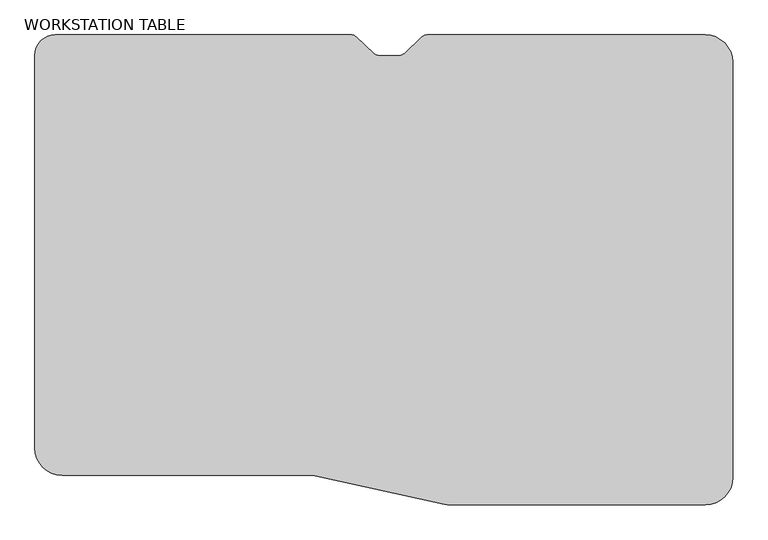
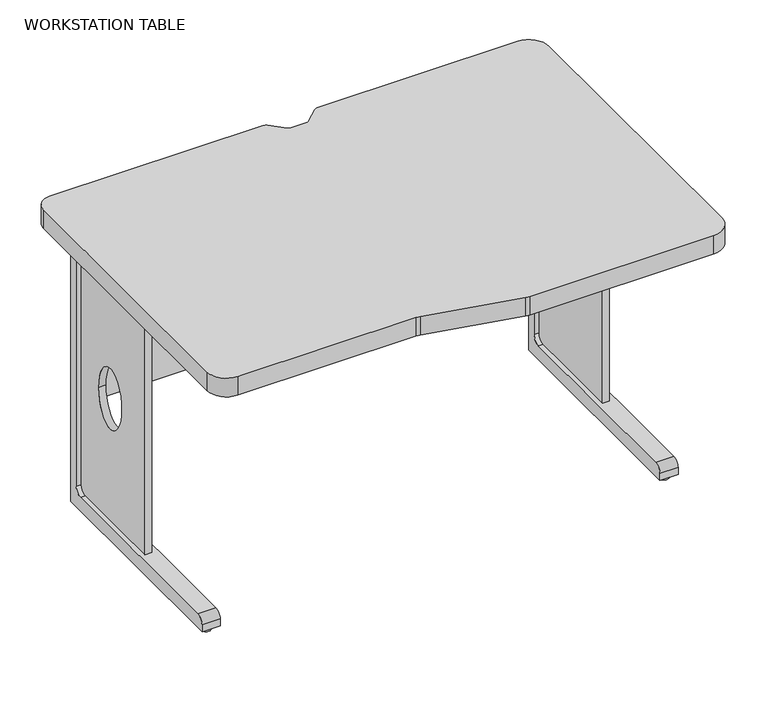
"""IFC4 building model written with IfcOpenShell, lengths in millimetres: proxy geometry, WORKSTATION TABLE."""

from ifc_helpers import new_model, si_unit, point, frame, frame_2d, origin, origin_with_axes, place, context, project, spatial, polyline, circle_curve, ellipse_curve, trimmed, segment, composite_curve, outline, extrude, source, transform, mapped, element, save
from ifc_brep_helpers import plane_surface, cylinder_surface, revolved_surface, extruded_surface, advanced_brep


def workstation_table_481db081(model_context):
    return source(origin(), model_context, "Body", "SolidModel", [
        advanced_brep(
        [(589.2343913, -50.7902273, 800.1), (37.4244557, -50.7902273, 800.1), (-0.7719566, -88.9866395, 800.1), (-0.7719566, -820.9499402, 800.1), (50.0280434, -871.7499402, 800.1), (510.9482048, -871.7499402, 800.1), (521.8593393, -872.9355557, 800.1), (762.761144, -925.9143845, 800.1), (773.6722784, -927.1, 800.1), (1248.9080434, -927.1, 800.1), (1299.7080434, -876.3, 800.1), (1299.7080434, -101.6, 800.1), (1248.9080434, -50.8, 800.1), (730.0216956, -50.7902273, 800.1), (721.1054055, -54.328269, 800.1), (687.6834991, -85.6898757, 800.1), (678.7672091, -89.2181448, 800.1), (640.4888777, -89.2181448, 800.1), (631.5725877, -85.6898757, 800.1), (598.1506813, -54.328269, 800.1), (589.2343913, -50.8, 749.3), (598.1506813, -54.328269, 749.3), (631.5725877, -85.6898757, 749.3), (640.4888777, -89.2181448, 749.3), (678.7672091, -89.2181448, 749.3), (687.6834991, -85.6898757, 749.3), (721.1054055, -54.328269, 749.3), (730.0216956, -50.8, 749.3), (1248.9080434, -50.7902273, 749.3), (1299.7080434, -101.6, 749.3), (1299.7080434, -876.3, 749.3), (1248.9080434, -927.1, 749.3), (773.6722784, -927.1, 749.3), (762.761144, -925.9143845, 749.3), (521.8593393, -872.9355557, 749.3), (510.9482048, -871.7499402, 749.3), (50.0280434, -871.7499402, 749.3), (-0.7719566, -820.9499402, 749.3), (-0.7719566, -88.9866395, 749.3), (37.4244557, -50.7902273, 749.3)],
        [
            (0, 1),
            (1, 2, circle_curve(frame((37.4244557, -88.9866395, 800.1), z_axis=(0.0, 0.0, 1.0), x_axis=(1.0, 0.0, 0.0)), 38.1964123)),
            (2, 3),
            (3, 4, circle_curve(frame((50.0280434, -820.9499402, 800.1), z_axis=(0.0, 0.0, 1.0), x_axis=(-1.0, 0.0, 0.0)), 50.8)),
            (4, 5),
            (5, 6, circle_curve(frame((510.9482048, -922.5499402, 800.1), z_axis=(0.0, 0.0, -1.0), x_axis=(0.0, 1.0, 0.0)), 50.8)),
            (6, 7),
            (7, 8, circle_curve(frame((773.6722784, -876.3, 800.1), z_axis=(0.0, 0.0, 1.0), x_axis=(-0.21478611097904476, -0.9766611114048196, 0.0)), 50.8)),
            (8, 9),
            (9, 10, circle_curve(frame((1248.9080434, -876.3, 800.1), z_axis=(0.0, 0.0, 1.0), x_axis=(0.0, -1.0, 0.0)), 50.8)),
            (10, 11),
            (11, 12, circle_curve(frame((1248.9080434, -101.6, 800.1), z_axis=(0.0, 0.0, 1.0), x_axis=(1.0, 0.0, 0.0)), 50.8)),
            (12, 13),
            (13, 14, circle_curve(frame((730.0216956, -63.8303145, 800.1), z_axis=(0.0, 0.0, 1.0), x_axis=(0.0, 1.0, 0.0)), 13.0303145)),
            (14, 15),
            (15, 16, circle_curve(frame((678.7672091, -76.1878303, 800.1), z_axis=(0.0, 0.0, -1.0), x_axis=(0.6842728208301183, -0.7292261012012619, 0.0)), 13.0303145)),
            (16, 17),
            (17, 18, circle_curve(frame((640.4888777, -76.1878303, 800.1), z_axis=(0.0, 0.0, -1.0), x_axis=(0.0, -1.0, 0.0)), 13.0303145)),
            (18, 19),
            (19, 0, circle_curve(frame((589.2343913, -63.8303145, 800.1), z_axis=(0.0, 0.0, 1.0), x_axis=(0.6842728208303243, 0.7292261012010685, 0.0)), 13.0303145)),
            (20, 21, circle_curve(frame((589.2343913, -63.8303145, 749.3), z_axis=(0.0, 0.0, -1.0), x_axis=(0.6842728208303243, 0.7292261012010685, 0.0)), 13.0303145)),
            (21, 22),
            (22, 23, circle_curve(frame((640.4888777, -76.1878303, 749.3), z_axis=(0.0, 0.0, 1.0), x_axis=(0.0, -1.0, 0.0)), 13.0303145)),
            (23, 24),
            (24, 25, circle_curve(frame((678.7672091, -76.1878303, 749.3), z_axis=(0.0, 0.0, 1.0), x_axis=(0.6842728208301183, -0.7292261012012619, 0.0)), 13.0303145)),
            (25, 26),
            (26, 27, circle_curve(frame((730.0216956, -63.8303145, 749.3), z_axis=(0.0, 0.0, -1.0), x_axis=(0.0, 1.0, 0.0)), 13.0303145)),
            (27, 28),
            (28, 29, circle_curve(frame((1248.9080434, -101.6, 749.3), z_axis=(0.0, 0.0, -1.0), x_axis=(1.0, 0.0, 0.0)), 50.8)),
            (29, 30),
            (30, 31, circle_curve(frame((1248.9080434, -876.3, 749.3), z_axis=(0.0, 0.0, -1.0), x_axis=(0.0, -1.0, 0.0)), 50.8)),
            (31, 32),
            (32, 33, circle_curve(frame((773.6722784, -876.3, 749.3), z_axis=(0.0, 0.0, -1.0), x_axis=(-0.21478611097904476, -0.9766611114048196, 0.0)), 50.8)),
            (33, 34),
            (34, 35, circle_curve(frame((510.9482048, -922.5499402, 749.3), z_axis=(0.0, 0.0, 1.0), x_axis=(0.0, 1.0, 0.0)), 50.8)),
            (35, 36),
            (36, 37, circle_curve(frame((50.0280434, -820.9499402, 749.3), z_axis=(0.0, 0.0, -1.0), x_axis=(-1.0, 0.0, 0.0)), 50.8)),
            (37, 38),
            (38, 39, circle_curve(frame((37.4244557, -88.9866395, 749.3), z_axis=(0.0, 0.0, -1.0), x_axis=(1.0, 0.0, 0.0)), 38.1964123)),
            (39, 20),
            (0, 20),
            (39, 1),
            (38, 2),
            (37, 3),
            (36, 4),
            (35, 5),
            (34, 6),
            (33, 7),
            (32, 8),
            (31, 9),
            (30, 10),
            (29, 11),
            (28, 12),
            (27, 13),
            (26, 14),
            (25, 15),
            (24, 16),
            (23, 17),
            (22, 18),
            (21, 19),
        ],
        [
            plane_surface(frame((45.9053442, -50.7902273, 800.1), z_axis=(0.0, 0.0, 1.0), x_axis=(-1.0, 0.0, 0.0))),
            plane_surface(frame((45.9053442, -50.7902273, 749.3), z_axis=(0.0, 0.0, -1.0), x_axis=(1.0, 0.0, 0.0))),
            plane_surface(frame((589.2343913, -50.7902273, 800.1), z_axis=(0.0, 1.0, 0.0), x_axis=(0.0, 0.0, -1.0))),
            cylinder_surface(frame((37.4244557, -88.9866395, 749.3), z_axis=(0.0, 0.0, 1.0), x_axis=(1.0, 0.0, 0.0)), 38.1964123),
            plane_surface(frame((-0.7719566, -88.9866395, 800.1), z_axis=(-1.0, 0.0, 0.0), x_axis=(0.0, 0.0, -1.0))),
            cylinder_surface(frame((50.0280434, -820.9499402, 749.3), z_axis=(0.0, 0.0, 1.0), x_axis=(-1.0, 0.0, 0.0)), 50.8),
            plane_surface(frame((50.0280434, -871.7499402, 800.1), z_axis=(0.0, -1.0, 0.0), x_axis=(0.0, 0.0, -1.0))),
            revolved_surface(polyline([(510.9482048, -871.7499402000001, 749.3), (510.9482048, -871.7499402000001, 800.1)]), (510.9482048, -922.5499402, 749.3), (0.0, 0.0, -1.0)),
            plane_surface(frame((521.8593393, -872.9355557, 800.1), z_axis=(-0.2147861109790387, -0.976661111404821, 0.0), x_axis=(0.0, 0.0, -1.0))),
            cylinder_surface(frame((773.6722784, -876.3, 749.3), z_axis=(0.0, 0.0, 1.0), x_axis=(-0.21478611097904476, -0.9766611114048196, 0.0)), 50.8),
            plane_surface(frame((773.6722784, -927.1, 800.1), z_axis=(0.0, -1.0, 0.0), x_axis=(0.0, 0.0, -1.0))),
            cylinder_surface(frame((1248.9080434, -876.3, 749.3), z_axis=(0.0, 0.0, 1.0), x_axis=(0.0, -1.0, 0.0)), 50.8),
            plane_surface(frame((1299.7080434, -876.3, 800.1), z_axis=(1.0, 0.0, 0.0), x_axis=(0.0, 0.0, -1.0))),
            cylinder_surface(frame((1248.9080434, -101.6, 749.3), z_axis=(0.0, 0.0, 1.0), x_axis=(1.0, 0.0, 0.0)), 50.8),
            plane_surface(frame((1248.9080434, -50.7902273, 800.1), z_axis=(0.0, 1.0, 0.0), x_axis=(0.0, 0.0, -1.0))),
            cylinder_surface(frame((730.0216956, -63.8303145, 749.3), z_axis=(0.0, 0.0, 1.0), x_axis=(0.0, 1.0, 0.0)), 13.0303145),
            plane_surface(frame((721.1054055, -54.328269, 800.1), z_axis=(-0.684272820830323, 0.7292261012010697, 0.0), x_axis=(0.0, 0.0, -1.0))),
            revolved_surface(polyline([(687.6834991592185, -85.68987574026127, 749.3), (687.6834991592185, -85.68987574026127, 800.1)]), (678.7672091, -76.1878303, 749.3), (0.0, 0.0, -1.0000000000000002)),
            plane_surface(frame((678.7672091, -89.2181448, 800.1), z_axis=(0.0, 1.0, 0.0), x_axis=(0.0, 0.0, -1.0))),
            revolved_surface(polyline([(640.4888777, -89.2181448, 749.3), (640.4888777, -89.2181448, 800.1)]), (640.4888777, -76.1878303, 749.3), (0.0, 0.0, -1.0)),
            plane_surface(frame((631.5725877, -85.6898757, 800.1), z_axis=(0.6842728208302895, 0.7292261012011012, 0.0), x_axis=(0.0, 0.0, -1.0))),
            cylinder_surface(frame((589.2343913, -63.8303145, 749.3), z_axis=(0.0, 0.0, 1.0), x_axis=(0.6842728208303243, 0.7292261012010685, 0.0)), 13.0303145),
        ],
        [
            (0, [[1, 2, 3, 4, 5, 6, 7, 8, 9, 10, 11, 12, 13, 14, 15, 16, 17, 18, 19, 20]]),
            (1, [[21, 22, 23, 24, 25, 26, 27, 28, 29, 30, 31, 32, 33, 34, 35, 36, 37, 38, 39, 40]]),
            (2, [[-1, 41, -40, 42]]),
            (3, [[-2, -42, -39, 43]]),
            (4, [[-3, -43, -38, 44]]),
            (5, [[-4, -44, -37, 45]]),
            (6, [[-5, -45, -36, 46]]),
            (7, [[-6, -46, -35, 47]]),
            (8, [[-7, -47, -34, 48]]),
            (9, [[-8, -48, -33, 49]]),
            (10, [[-9, -49, -32, 50]]),
            (11, [[-10, -50, -31, 51]]),
            (12, [[-11, -51, -30, 52]]),
            (13, [[-12, -52, -29, 53]]),
            (14, [[-13, -53, -28, 54]]),
            (15, [[-14, -54, -27, 55]]),
            (16, [[-15, -55, -26, 56]]),
            (17, [[-16, -56, -25, 57]]),
            (18, [[-17, -57, -24, 58]]),
            (19, [[-18, -58, -23, 59]]),
            (20, [[-19, -59, -22, 60]]),
            (21, [[-20, -60, -21, -41]]),
        ],
    ),
        extrude(outline(composite_curve([segment(polyline([(-722.4005617, 736.6), (-722.4005617, 749.3), (-133.5794383, 749.3), (-133.5794383, 12.7), (-722.4005617, 12.7), (-722.4005617, 31.75)]), True, "CONTINUOUS"), segment(trimmed(circle_curve(frame_2d((-703.3505617, 31.75)), 19.05), [point((-722.4005617, 31.75))], [point((-703.3505617, 50.8))], False, "CARTESIAN"), True, "CONTINUOUS"), segment(polyline([(-703.3505617, 50.8), (-178.0294383, 50.8)]), True, "CONTINUOUS"), segment(trimmed(circle_curve(frame_2d((-178.0294383, 69.85)), 19.05), [point((-178.0294383, 50.8))], [point((-158.9794383, 69.85))], True, "CARTESIAN"), True, "CONTINUOUS"), segment(polyline([(-158.9794383, 69.85), (-158.9794383, 698.5)]), True, "CONTINUOUS"), segment(trimmed(circle_curve(frame_2d((-178.0294383, 698.5)), 19.05), [point((-158.9794383, 698.5))], [point((-178.0294383, 717.55))], True, "CARTESIAN"), True, "CONTINUOUS"), segment(polyline([(-178.0294383, 717.55), (-703.3505617, 717.55)]), True, "CONTINUOUS"), segment(trimmed(circle_curve(frame_2d((-703.3505617, 736.6)), 19.05), [point((-703.3505617, 717.55))], [point((-722.4005617, 736.6))], False, "CARTESIAN"), True, "CONTINUOUS")], self_intersect=False)), frame((1228.5959132, 0.0, 0.0), z_axis=(1.0, 0.0, 0.0), x_axis=(0.0, 1.0, 0.0)), (0.0, 0.0, 1.0), 46.7842935),
        advanced_brep(
        [(56.5440286, -444.3212565, 50.8), (56.5440286, -444.3212565, 717.55), (56.5440286, -133.1712565, 717.55), (56.5440286, -133.1712565, 50.8), (56.5440286, -339.5462565, 384.175), (56.5440286, -237.9462565, 384.175), (74.4135624, -444.3212565, 50.8), (74.4135624, -133.1712565, 50.8), (74.4135624, -133.1712565, 717.55), (74.4135624, -444.3212565, 717.55), (74.4135624, -237.9462565, 384.175), (74.4135624, -339.5462565, 384.175)],
        [
            (0, 1),
            (1, 2),
            (2, 3),
            (3, 0),
            (4, 5, ellipse_curve(frame((56.5440286, -288.7462565, 384.175), z_axis=(1.0, 0.0, 0.0), x_axis=(0.0, 0.0, 1.0)), 82.55, 50.8)),
            (5, 4, ellipse_curve(frame((56.5440286, -288.7462565, 384.175), z_axis=(1.0, 0.0, 0.0), x_axis=(0.0, 0.0, 1.0)), 82.55, 50.8)),
            (6, 7),
            (7, 8),
            (8, 9),
            (9, 6),
            (10, 11, ellipse_curve(frame((74.4135624, -288.7462565, 384.175), z_axis=(-1.0, 0.0, 0.0), x_axis=(0.0, -1.0, 0.0)), 50.8, 82.55)),
            (11, 10, ellipse_curve(frame((74.4135624, -288.7462565, 384.175), z_axis=(-1.0, 0.0, 0.0), x_axis=(0.0, -1.0, 0.0)), 50.8, 82.55)),
            (0, 6),
            (9, 1),
            (8, 2),
            (7, 3),
            (4, 11),
            (10, 5),
        ],
        [
            plane_surface(frame((56.5440286, -444.3212565, 717.55), z_axis=(-1.0, 0.0, 0.0), x_axis=(0.0, 0.0, 1.0))),
            plane_surface(frame((74.4135624, -444.3212565, 717.55), z_axis=(1.0, 0.0, 0.0), x_axis=(0.0, 0.0, -1.0))),
            plane_surface(frame((56.5440286, -444.3212565, 50.8), z_axis=(0.0, -1.0, 0.0), x_axis=(1.0, 0.0, 0.0))),
            plane_surface(frame((56.5440286, -444.3212565, 717.55), z_axis=(0.0, 0.0, 1.0), x_axis=(1.0, 0.0, 0.0))),
            plane_surface(frame((56.5440286, -133.1712565, 717.55), z_axis=(0.0, 1.0, 0.0), x_axis=(1.0, 0.0, 0.0))),
            plane_surface(frame((56.5440286, -133.1712565, 50.8), z_axis=(0.0, 0.0, -1.0), x_axis=(1.0, 0.0, 0.0))),
            extruded_surface(trimmed(ellipse_curve(frame((74.4135624, -288.7462565, 384.175), z_axis=(-1.0, 0.0, 0.0), x_axis=(0.0, -1.0, 0.0)), 50.8, 82.55), [point((74.4135624, -237.9462565, 384.175))], [point((74.4135624, -339.5462565, 384.175))], True, "CARTESIAN"), (17.86953369999999, 0.0, 0.0), 17.86953369999999),
            extruded_surface(trimmed(ellipse_curve(frame((74.4135624, -288.7462565, 384.175), z_axis=(-1.0, 0.0, 0.0), x_axis=(0.0, -1.0, 0.0)), 50.8, 82.55), [point((74.4135624, -339.5462565, 384.175))], [point((74.4135624, -237.9462565, 384.175))], True, "CARTESIAN"), (17.86953369999999, 0.0, 0.0), 17.86953369999999),
        ],
        [
            (0, [[1, 2, 3, 4], [5, 6]]),
            (1, [[7, 8, 9, 10], [11, 12]]),
            (2, [[-1, 13, -10, 14]]),
            (3, [[-2, -14, -9, 15]]),
            (4, [[-3, -15, -8, 16]]),
            (5, [[-4, -16, -7, -13]]),
            (6, [[17, -11, 18, -5]]),
            (7, [[-17, -6, -18, -12]]),
        ],
    ),
        extrude(outline(composite_curve([segment(polyline([(-722.4005617, 736.6), (-722.4005617, 749.3), (-133.5794383, 749.3), (-133.5794383, 12.7), (-722.4005617, 12.7), (-722.4005617, 31.75)]), True, "CONTINUOUS"), segment(trimmed(circle_curve(frame_2d((-703.3505617, 31.75)), 19.05), [point((-722.4005617, 31.75))], [point((-703.3505617, 50.8))], False, "CARTESIAN"), True, "CONTINUOUS"), segment(polyline([(-703.3505617, 50.8), (-178.0294383, 50.8)]), True, "CONTINUOUS"), segment(trimmed(circle_curve(frame_2d((-178.0294383, 69.85)), 19.05), [point((-178.0294383, 50.8))], [point((-158.9794383, 69.85))], True, "CARTESIAN"), True, "CONTINUOUS"), segment(polyline([(-158.9794383, 69.85), (-158.9794383, 698.5)]), True, "CONTINUOUS"), segment(trimmed(circle_curve(frame_2d((-178.0294383, 698.5)), 19.05), [point((-158.9794383, 698.5))], [point((-178.0294383, 717.55))], True, "CARTESIAN"), True, "CONTINUOUS"), segment(polyline([(-178.0294383, 717.55), (-703.3505617, 717.55)]), True, "CONTINUOUS"), segment(trimmed(circle_curve(frame_2d((-703.3505617, 736.6)), 19.05), [point((-703.3505617, 717.55))], [point((-722.4005617, 736.6))], False, "CARTESIAN"), True, "CONTINUOUS")], self_intersect=False)), frame((43.8758801, 0.0, 0.0), z_axis=(1.0, 0.0, 0.0), x_axis=(0.0, 1.0, 0.0)), (0.0, 0.0, 1.0), 46.7842935),
        advanced_brep(
        [(1258.1816276, -444.3212565, 50.8), (1258.1816276, -133.1712565, 50.8), (1258.1816276, -133.1712565, 717.55), (1258.1816276, -444.3212565, 717.55), (1258.1816276, -339.5462565, 384.175), (1258.1816276, -237.9462565, 384.175), (1240.3120938, -444.3212565, 50.8), (1240.3120938, -444.3212565, 717.55), (1240.3120938, -133.1712565, 717.55), (1240.3120938, -133.1712565, 50.8), (1240.3120938, -237.9462565, 384.175), (1240.3120938, -339.5462565, 384.175)],
        [
            (0, 1),
            (1, 2),
            (2, 3),
            (3, 0),
            (4, 5, ellipse_curve(frame((1258.1816276, -288.7462565, 384.175), z_axis=(-1.0, 0.0, 0.0), x_axis=(0.0, 0.0, -1.0)), 82.55, 50.8)),
            (5, 4, ellipse_curve(frame((1258.1816276, -288.7462565, 384.175), z_axis=(-1.0, 0.0, 0.0), x_axis=(0.0, 0.0, -1.0)), 82.55, 50.8)),
            (6, 7),
            (7, 8),
            (8, 9),
            (9, 6),
            (10, 11, ellipse_curve(frame((1240.3120938, -288.7462565, 384.175), z_axis=(1.0, 0.0, 0.0), x_axis=(0.0, 0.0, -1.0)), 82.55, 50.8)),
            (11, 10, ellipse_curve(frame((1240.3120938, -288.7462565, 384.175), z_axis=(1.0, 0.0, 0.0), x_axis=(0.0, 0.0, -1.0)), 82.55, 50.8)),
            (0, 6),
            (9, 1),
            (8, 2),
            (7, 3),
            (10, 5),
            (4, 11),
        ],
        [
            plane_surface(frame((1258.1816276, -444.3212565, 50.8), z_axis=(1.0, 0.0, 0.0), x_axis=(0.0, 1.0, 0.0))),
            plane_surface(frame((1240.3120938, -444.3212565, 50.8), z_axis=(-1.0, 0.0, 0.0), x_axis=(0.0, -1.0, 0.0))),
            plane_surface(frame((1258.1816276, -444.3212565, 50.8), z_axis=(0.0, 0.0, -1.0), x_axis=(-1.0, 0.0, 0.0))),
            plane_surface(frame((1258.1816276, -133.1712565, 50.8), z_axis=(0.0, 1.0, 0.0), x_axis=(-1.0, 0.0, 0.0))),
            plane_surface(frame((1258.1816276, -133.1712565, 717.55), z_axis=(0.0, 0.0, 1.0), x_axis=(-1.0, 0.0, 0.0))),
            plane_surface(frame((1258.1816276, -444.3212565, 717.55), z_axis=(0.0, -1.0, 0.0), x_axis=(-1.0, 0.0, 0.0))),
            extruded_surface(trimmed(ellipse_curve(frame((1220.9864376, -288.7462565, 384.175), z_axis=(1.0, 0.0, 0.0), x_axis=(0.0, -1.0, 0.0)), 50.8, 82.55), [point((1220.9864376, -237.9462565, 384.175))], [point((1220.9864376, -339.5462565, 384.175))], True, "CARTESIAN"), (-78.72160570000005, 0.0, 0.0), 78.72160570000005),
            extruded_surface(trimmed(ellipse_curve(frame((1220.9864376, -288.7462565, 384.175), z_axis=(1.0, 0.0, 0.0), x_axis=(0.0, -1.0, 0.0)), 50.8, 82.55), [point((1220.9864376, -339.5462565, 384.175))], [point((1220.9864376, -237.9462565, 384.175))], True, "CARTESIAN"), (-78.72160570000005, 0.0, 0.0), 78.72160570000005),
        ],
        [
            (0, [[1, 2, 3, 4], [5, 6]]),
            (1, [[7, 8, 9, 10], [11, 12]]),
            (2, [[-1, 13, -10, 14]]),
            (3, [[-2, -14, -9, 15]]),
            (4, [[-3, -15, -8, 16]]),
            (5, [[-4, -16, -7, -13]]),
            (6, [[17, -5, 18, -11]]),
            (7, [[-17, -12, -18, -6]]),
        ],
    ),
        extrude(outline(polyline([(1228.5959132, -146.985014), (90.6601737, -146.985014), (90.6601737, -133.5794383), (1228.5959132, -133.5794383), (1228.5959132, -146.985014)])), frame((0.0, 0.0, 279.4), z_axis=(0.0, 0.0, 1.0), x_axis=(1.0, 0.0, 0.0)), (0.0, 0.0, 1.0), 203.2),
        extrude(outline(polyline([(1228.5959132, -146.985014), (90.6601737, -146.985014), (90.6601737, -133.5794383), (1228.5959132, -133.5794383), (1228.5959132, -146.985014)])), frame((0.0, 0.0, 615.95), z_axis=(0.0, 0.0, 1.0), x_axis=(1.0, 0.0, 0.0)), (0.0, 0.0, 1.0), 133.35),
        extrude(outline(composite_curve([segment(trimmed(circle_curve(frame_2d((67.2680269, -698.9081819)), 12.7), [point((54.5680269, -698.9081819))], [point((79.9680269, -698.9081819))], False, "CARTESIAN"), True, "CONTINUOUS"), segment(trimmed(circle_curve(frame_2d((67.2680269, -698.9081819)), 12.7), [point((79.9680269, -698.9081819))], [point((54.5680269, -698.9081819))], False, "CARTESIAN"), True, "CONTINUOUS")], self_intersect=False)), origin_with_axes(), (0.0, 0.0, 1.0), 12.7),
        extrude(outline(composite_curve([segment(trimmed(circle_curve(frame_2d((67.2680269, -146.2794383)), 12.7), [point((54.5680269, -146.2794383))], [point((79.9680269, -146.2794383))], False, "CARTESIAN"), True, "CONTINUOUS"), segment(trimmed(circle_curve(frame_2d((67.2680269, -146.2794383)), 12.7), [point((79.9680269, -146.2794383))], [point((54.5680269, -146.2794383))], False, "CARTESIAN"), True, "CONTINUOUS")], self_intersect=False)), origin_with_axes(), (0.0, 0.0, 1.0), 12.7),
        extrude(outline(composite_curve([segment(trimmed(circle_curve(frame_2d((1251.9880599, -698.9081819)), 12.7), [point((1239.2880599, -698.9081819))], [point((1264.6880599, -698.9081819))], False, "CARTESIAN"), True, "CONTINUOUS"), segment(trimmed(circle_curve(frame_2d((1251.9880599, -698.9081819)), 12.7), [point((1264.6880599, -698.9081819))], [point((1239.2880599, -698.9081819))], False, "CARTESIAN"), True, "CONTINUOUS")], self_intersect=False)), origin_with_axes(), (0.0, 0.0, 1.0), 12.7),
        extrude(outline(composite_curve([segment(trimmed(circle_curve(frame_2d((1251.9880599, -146.2794383)), 12.7), [point((1239.2880599, -146.2794383))], [point((1264.6880599, -146.2794383))], False, "CARTESIAN"), True, "CONTINUOUS"), segment(trimmed(circle_curve(frame_2d((1251.9880599, -146.2794383)), 12.7), [point((1264.6880599, -146.2794383))], [point((1239.2880599, -146.2794383))], False, "CARTESIAN"), True, "CONTINUOUS")], self_intersect=False)), origin_with_axes(), (0.0, 0.0, 1.0), 12.7),
    ])


if __name__ == "__main__":
    model = new_model("IFC4")
    model_context = context("Model", 3, world=origin())
    ifc_project = project(units=[si_unit("LENGTHUNIT", "METRE", prefix="MILLI")], contexts=[model_context])
    site = spatial("IfcSite", under=ifc_project)
    building = spatial("IfcBuilding", under=site)
    placement = place(None, origin())
    workstation_table_shape = workstation_table_481db081(model_context)
    element("IfcBuildingElementProxy", 1, Name="WORKSTATION TABLE", ObjectType="WORKSTATION TABLE", at=placement, inside=building, context=model_context, shape_type="MappedRepresentation", body=[
        mapped(workstation_table_shape, transform((0.0, 0.0, 0.0), x_axis=(1.0, 0.0, 0.0), y_axis=(0.0, 1.0, 0.0), z_axis=(0.0, 0.0, 1.0))),
    ])
    save(model, "model.ifc")
